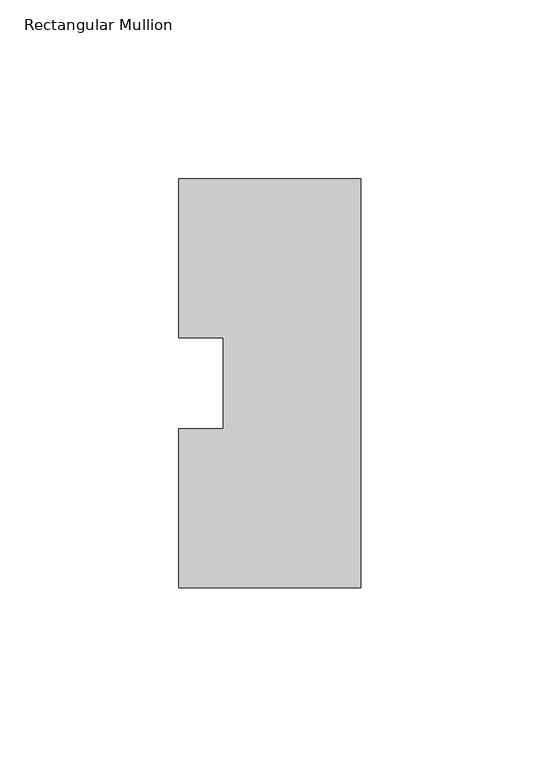
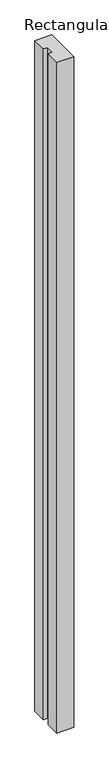
"""IFC4 building model written with IfcOpenShell, lengths in millimetres: member geometry, Rectangular Mullion."""

from ifc_helpers import new_model, si_unit, frame, origin, place, context, project, spatial, polyline, outline, extrude, source, transform, mapped, element, save


def rectangular_mullion_aa3585f2(model_context):
    return source(origin(), model_context, "Body", "SweptSolid", [
        extrude(outline(polyline([(-25.4, -57.148246), (-25.4, -12.7), (-13.0430207, -12.7), (-13.0430207, 12.7), (-25.4, 12.7), (-25.4, 57.148246), (25.4, 57.148246), (25.4, -57.148246), (-25.4, -57.148246)])), frame((0.0, 0.0, -2133.6), z_axis=(0.0, 0.0, 1.0), x_axis=(1.0, 0.0, 0.0)), (0.0, 0.0, 1.0), 2133.6),
    ])


if __name__ == "__main__":
    model = new_model("IFC4")
    model_context = context("Model", 3, world=origin())
    ifc_project = project(units=[si_unit("LENGTHUNIT", "METRE", prefix="MILLI")], contexts=[model_context])
    site = spatial("IfcSite", under=ifc_project)
    building = spatial("IfcBuilding", under=site)
    placement = place(None, origin())
    rectangular_mullion_shape = rectangular_mullion_aa3585f2(model_context)
    element("IfcMember", 1, ObjectType="Rectangular Mullion", at=placement, inside=building, context=model_context, shape_type="MappedRepresentation", body=[
        mapped(rectangular_mullion_shape, transform((0.0, 0.0, 0.0), x_axis=(1.0, 0.0, 0.0), y_axis=(0.0, 1.0, 0.0), z_axis=(0.0, 0.0, 1.0))),
    ])
    save(model, "model.ifc")
